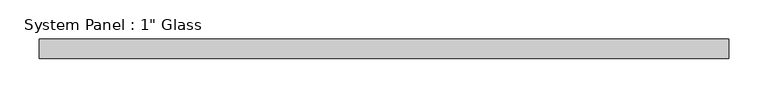
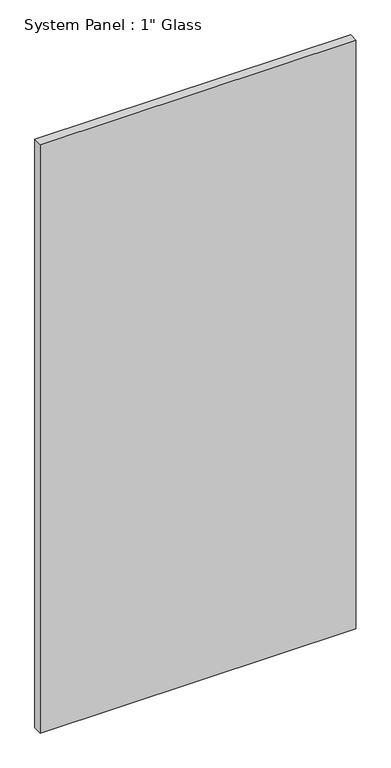
"""IFC4 building model written with IfcOpenShell, lengths in millimetres: plate geometry."""

from ifc_helpers import new_model, si_unit, origin, origin_with_axes, place, context, project, spatial, polyline, outline, extrude, source, transform, mapped, element, save


def plate_3fd0b7e0(model_context):
    return source(origin(), model_context, "Body", "SweptSolid", [
        extrude(outline(polyline([(441.325, -12.7), (-441.325, -12.7), (-441.325, 12.7), (441.325, 12.7), (441.325, -12.7)])), origin_with_axes(), (0.0, 0.0, 1.0), 1739.9),
    ])


if __name__ == "__main__":
    model = new_model("IFC4")
    model_context = context("Model", 3, world=origin())
    ifc_project = project(units=[si_unit("LENGTHUNIT", "METRE", prefix="MILLI")], contexts=[model_context])
    site = spatial("IfcSite", under=ifc_project)
    building = spatial("IfcBuilding", under=site)
    placement = place(None, origin())
    plate_shape = plate_3fd0b7e0(model_context)
    element("IfcPlate", 1, ObjectType="System Panel : 1\" Glass", at=placement, inside=building, context=model_context, shape_type="MappedRepresentation", body=[
        mapped(plate_shape, transform((0.0, 0.0, 0.0), x_axis=(1.0, 0.0, 0.0), y_axis=(0.0, 1.0, 0.0), z_axis=(0.0, 0.0, 1.0))),
    ])
    save(model, "model.ifc")
